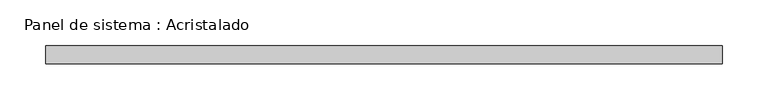
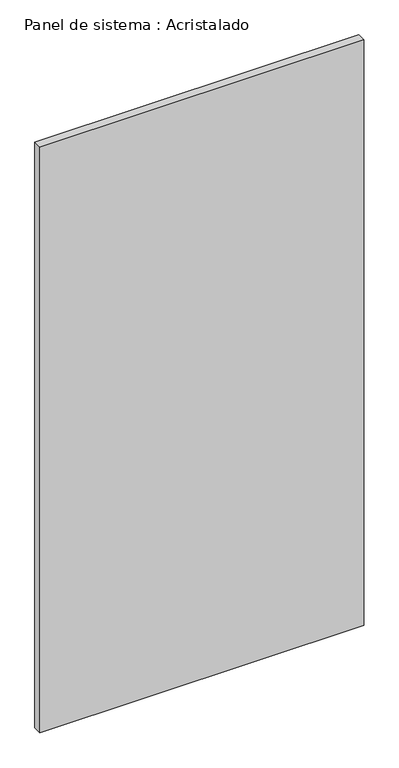
"""IFC4 building model written with IfcOpenShell, lengths in millimetres: plate geometry, Panel de sistema : Acristalado."""

from ifc_helpers import new_model, si_unit, origin, origin_with_axes, place, context, project, spatial, polyline, outline, extrude, source, transform, mapped, element, save


def panel_de_sistema_acristalado_116901c2(model_context):
    return source(origin(), model_context, "Body", "SweptSolid", [
        extrude(outline(polyline([(371.197248, -10.0), (-371.197248, -10.0), (-371.197248, 10.0), (371.197248, 10.0), (371.197248, -10.0)])), origin_with_axes(), (0.0, 0.0, 1.0), 1419.2228533),
    ])


if __name__ == "__main__":
    model = new_model("IFC4")
    model_context = context("Model", 3, world=origin())
    ifc_project = project(units=[si_unit("LENGTHUNIT", "METRE", prefix="MILLI")], contexts=[model_context])
    site = spatial("IfcSite", under=ifc_project)
    building = spatial("IfcBuilding", under=site)
    placement = place(None, origin())
    panel_de_sistema_acristalado_shape = panel_de_sistema_acristalado_116901c2(model_context)
    element("IfcPlate", 1, ObjectType="Panel de sistema : Acristalado", at=placement, inside=building, context=model_context, shape_type="MappedRepresentation", body=[
        mapped(panel_de_sistema_acristalado_shape, transform((0.0, 0.0, 0.0), x_axis=(1.0, 0.0, 0.0), y_axis=(0.0, 1.0, 0.0), z_axis=(0.0, 0.0, 1.0))),
    ])
    save(model, "model.ifc")
